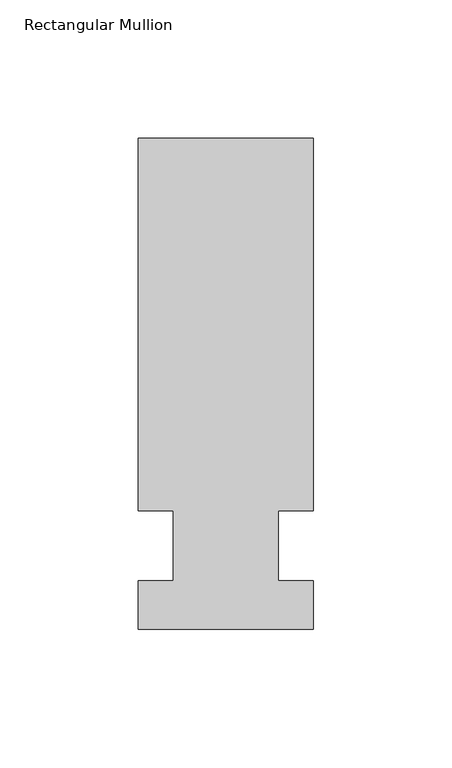
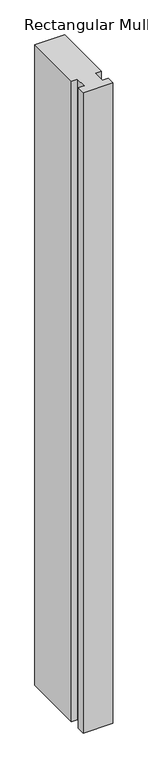
"""IFC4 building model written with IfcOpenShell, lengths in millimetres: member geometry, Rectangular Mullion."""

from ifc_helpers import new_model, si_unit, frame, origin, place, context, project, spatial, polyline, outline, extrude, source, transform, mapped, element, save


def rectangular_mullion_d04469d7(model_context):
    return source(origin(), model_context, "Body", "SweptSolid", [
        extrude(outline(polyline([(36.0844027, 147.6375), (36.0844027, 12.7), (23.3826322, 12.7), (23.3826322, -12.7), (36.0844027, -12.7), (36.0844027, -30.1625), (-27.4155973, -30.1625), (-27.4155973, -12.7), (-14.7155973, -12.7), (-14.7155973, 12.7), (-27.4155973, 12.7), (-27.4155973, 147.6375), (36.0844027, 147.6375)])), frame((0.0, 0.0, -1443.5666667), z_axis=(0.0, 0.0, 1.0), x_axis=(1.0, 0.0, 0.0)), (0.0, 0.0, 1.0), 1443.5666667),
    ])


if __name__ == "__main__":
    model = new_model("IFC4")
    model_context = context("Model", 3, world=origin())
    ifc_project = project(units=[si_unit("LENGTHUNIT", "METRE", prefix="MILLI")], contexts=[model_context])
    site = spatial("IfcSite", under=ifc_project)
    building = spatial("IfcBuilding", under=site)
    placement = place(None, origin())
    rectangular_mullion_shape = rectangular_mullion_d04469d7(model_context)
    element("IfcMember", 1, ObjectType="Rectangular Mullion", at=placement, inside=building, context=model_context, shape_type="MappedRepresentation", body=[
        mapped(rectangular_mullion_shape, transform((0.0, 0.0, 0.0), x_axis=(1.0, 0.0, 0.0), y_axis=(0.0, 1.0, 0.0), z_axis=(0.0, 0.0, 1.0))),
    ])
    save(model, "model.ifc")
